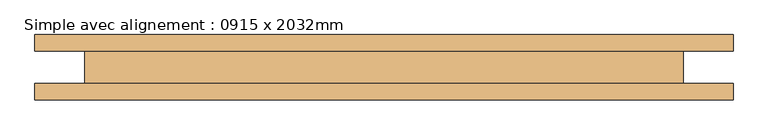
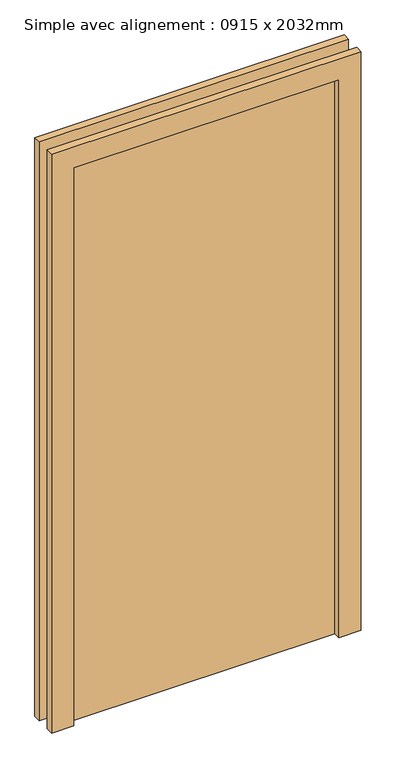
"""IFC4 building model written with IfcOpenShell, lengths in millimetres: door geometry, Simple avec alignement : 0915 x 2032mm."""

from ifc_helpers import new_model, si_unit, frame, origin, origin_with_axes, place, context, project, spatial, polyline, outline, extrude, source, transform, mapped, element, save


def simple_avec_alignement_0915_x_2032mm_531a5d58(model_context):
    return source(origin(), model_context, "Body", "SweptSolid", [
        extrude(outline(polyline([(2108.0, -533.5), (0.0, -533.5), (0.0, -457.5), (2032.0, -457.5), (2032.0, 457.5), (0.0, 457.5), (0.0, 533.5), (2108.0, 533.5), (2108.0, -533.5)])), frame((0.0, -50.0, 0.0), z_axis=(0.0, 1.0, 0.0), x_axis=(0.0, 0.0, 1.0)), (0.0, 0.0, 1.0), 25.0),
        extrude(outline(polyline([(2108.0, 533.5), (2108.0, -533.5), (0.0, -533.5), (0.0, -457.5), (2032.0, -457.5), (2032.0, 457.5), (0.0, 457.5), (0.0, 533.5), (2108.0, 533.5)])), frame((0.0, 25.0, 0.0), z_axis=(0.0, 1.0, 0.0), x_axis=(0.0, 0.0, 1.0)), (0.0, 0.0, 1.0), 25.0),
        extrude(outline(polyline([(457.5, 26.0), (457.5, -25.0), (-457.5, -25.0), (-457.5, 26.0), (457.5, 26.0)])), origin_with_axes(), (0.0, 0.0, 1.0), 2032.0),
    ])


if __name__ == "__main__":
    model = new_model("IFC4")
    model_context = context("Model", 3, world=origin())
    ifc_project = project(units=[si_unit("LENGTHUNIT", "METRE", prefix="MILLI")], contexts=[model_context])
    site = spatial("IfcSite", under=ifc_project)
    building = spatial("IfcBuilding", under=site)
    placement = place(None, origin())
    simple_avec_alignement_0915_x_2032mm_shape = simple_avec_alignement_0915_x_2032mm_531a5d58(model_context)
    element("IfcDoor", 1, ObjectType="Simple avec alignement : 0915 x 2032mm", at=placement, inside=building, context=model_context, shape_type="MappedRepresentation", body=[
        mapped(simple_avec_alignement_0915_x_2032mm_shape, transform((0.0, 0.0, 0.0), x_axis=(1.0, 0.0, 0.0), y_axis=(0.0, 1.0, 0.0), z_axis=(0.0, 0.0, 1.0))),
    ])
    save(model, "model.ifc")
